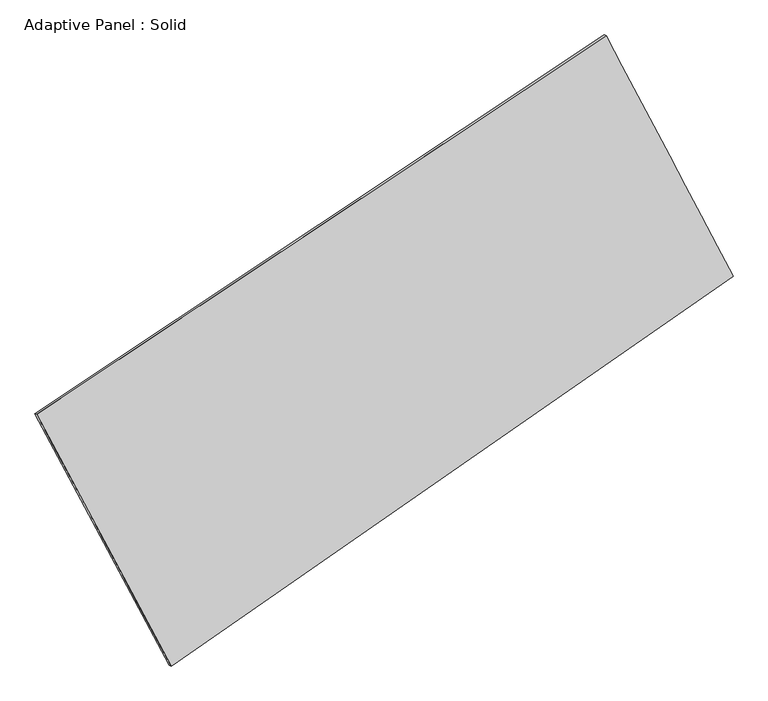
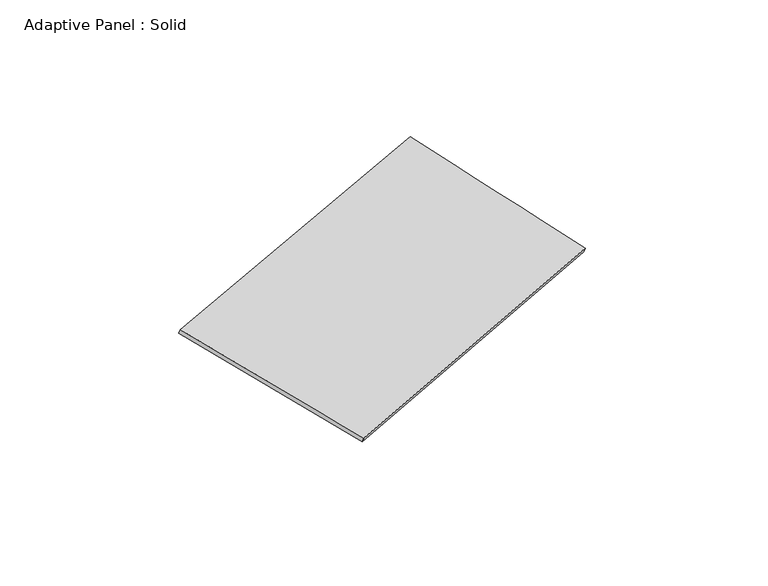
"""IFC4 building model written with IfcOpenShell, lengths in millimetres: plate geometry, Adaptive Panel : Solid."""

from ifc_helpers import new_model, si_unit, frame, origin, place, context, project, spatial, source, transform, mapped, element, save
from ifc_brep_helpers import plane_surface, spline_surface, advanced_brep


def adaptive_panel_solid_8154655f(model_context):
    return source(origin(), model_context, "Body", "AdvancedBrep", [
        advanced_brep(
        [(1216.6528612, 2560.1890058, 679.0473647), (-3631.7682415, -665.5940923, 1691.3395245), (-3617.1018857, -671.9741857, 1738.7124325), (1231.319217, 2553.8089124, 726.4202728), (-2486.9718129, -2807.8335415, 1101.6760721), (-2472.3054571, -2814.213635, 1149.0489801), (2298.7966151, 512.9900551, 13.0595589), (2313.4629709, 506.6099616, 60.4324669)],
        [
            (0, 1),
            (1, 2),
            (2, 3),
            (3, 0),
            (1, 4),
            (4, 5),
            (5, 2),
            (4, 6),
            (6, 7),
            (7, 5),
            (6, 0),
            (3, 7),
        ],
        [
            plane_surface(frame((-1207.5576901, 947.2974568, 1185.1934446), z_axis=(-0.49523470141742737, 0.8274330385273682, 0.264758677412769), x_axis=(-0.8202642873156707, -0.5457435767159654, 0.17126134247920688))),
            plane_surface(frame((-3059.3700272, -1736.7138169, 1396.5077983), z_axis=(-0.8423132086008557, -0.5032495950984195, 0.19299819597552895), x_axis=(0.45801195279485163, -0.8570705228100047, -0.23591347996083636))),
            plane_surface(frame((-94.0875989, -1147.4217432, 557.3678155), z_axis=(0.5075236601000913, -0.8190826012765434, -0.2674386410462377), x_axis=(0.8075991507977273, 0.5603894874789753, -0.18370420233038018))),
            plane_surface(frame((1757.7247381, 1536.5895305, 346.0534618), z_axis=(0.8404692396882139, 0.506717592980565, -0.1919602513592289), x_axis=(-0.4491190344897087, 0.8496431392437489, 0.2764030187878914))),
            spline_surface(1, 1, [[(-3617.1018857, -671.9741857, 1738.7124325), (1231.319217, 2553.8089124, 726.4202728)], [(-2472.3054571, -2814.213635, 1149.0489801), (2313.4629709, 506.6099616, 60.4324669)]], [2, 2], [2, 2], [0.0, 1.0], [0.0, 1.0]),
            spline_surface(1, 1, [[(2298.7966151, 512.9900551, 13.0595589), (1216.6528612, 2560.1890058, 679.0473647)], [(-2486.9718129, -2807.8335415, 1101.6760721), (-3631.7682415, -665.5940923, 1691.3395245)]], [2, 2], [2, 2], [0.0, 1.0], [0.0, 1.0]),
        ],
        [
            (0, [[1, 2, 3, 4]]),
            (1, [[5, 6, 7, -2]]),
            (2, [[8, 9, 10, -6]]),
            (3, [[11, -4, 12, -9]]),
            (4, [[-3, -7, -10, -12]]),
            (5, [[-11, -8, -5, -1]]),
        ],
    ),
    ])


if __name__ == "__main__":
    model = new_model("IFC4")
    model_context = context("Model", 3, world=origin())
    ifc_project = project(units=[si_unit("LENGTHUNIT", "METRE", prefix="MILLI")], contexts=[model_context])
    site = spatial("IfcSite", under=ifc_project)
    building = spatial("IfcBuilding", under=site)
    placement = place(None, origin())
    adaptive_panel_solid_shape = adaptive_panel_solid_8154655f(model_context)
    element("IfcPlate", 1, ObjectType="Adaptive Panel : Solid", at=placement, inside=building, context=model_context, shape_type="MappedRepresentation", body=[
        mapped(adaptive_panel_solid_shape, transform((0.0, 0.0, 0.0), x_axis=(1.0, 0.0, 0.0), y_axis=(0.0, 1.0, 0.0), z_axis=(0.0, 0.0, 1.0))),
    ])
    save(model, "model.ifc")
